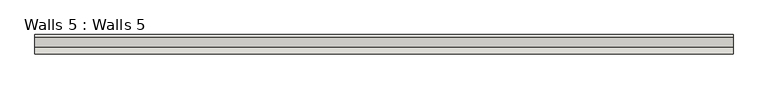
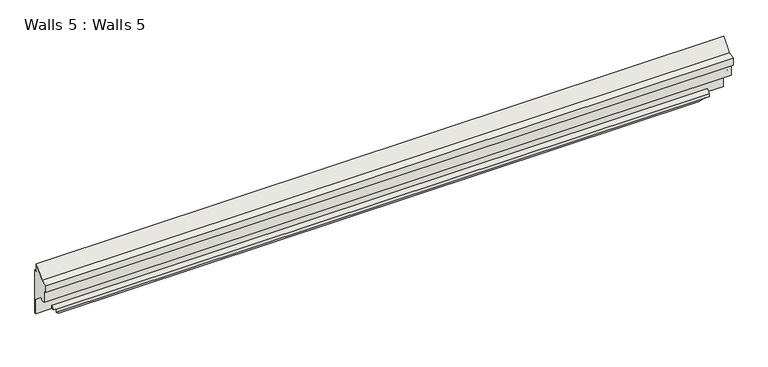
"""IFC4 building model written with IfcOpenShell, lengths in millimetres: wall geometry, Walls 5 : Walls 5."""

from ifc_helpers import new_model, si_unit, origin, place, context, project, spatial, faceted_brep, source, transform, mapped, element, save


def walls_5_walls_5_29911bf8(model_context):
    return source(origin(), model_context, "Body", "Brep", [
        faceted_brep([(-5602.0457962, -9427.2604986, -5924.0279126), (-5602.0457962, -9488.8131596, -5940.5208984), (-5602.0457962, -9488.8131596, -6008.669421), (-5602.0457962, -9460.2381596, -6008.669421), (-5602.0457962, -9460.2381596, -6122.969421), (-5602.0457962, -9431.6631596, -6122.969421), (-5602.0457962, -9410.8201312, -6102.1263927), (-5602.0457962, -9329.2232563, -6169.9577984), (-5602.0457962, -9329.2232563, -6312.8327984), (-5602.0457962, -9312.5557753, -6312.8327984), (-5602.0457962, -9312.5557753, -5892.8), (-5602.0457962, -9337.9557753, -5892.8), (-5602.0457962, -9337.9557753, -5816.6), (-11973.5469605, -9427.2604986, -5924.0279126), (-11973.5469605, -9337.9557753, -5816.6), (-11973.5469605, -9337.9557753, -5892.8), (-11973.5469605, -9312.5557753, -5892.8), (-11973.5469605, -9312.5557753, -6312.8327984), (-11973.5469605, -9329.2232563, -6312.8327984), (-11973.5469605, -9329.2232563, -6169.9577984), (-11973.5469605, -9410.8201312, -6102.1263927), (-11973.5469605, -9431.6631596, -6122.969421), (-11973.5469605, -9460.2381596, -6122.969421), (-11973.5469605, -9460.2381596, -6008.669421), (-11973.5469605, -9488.8131596, -6008.669421), (-11973.5469605, -9488.8131596, -5940.5208984), (-5748.0957962, -9355.1771123, -6344.3075584), (-11799.9429187, -9355.1771123, -6344.3075584), (-11757.3215818, -9312.5557753, -6395.1016898), (-5818.271175, -9312.5557753, -6395.1016898), (-5779.8457962, -9350.9811541, -6349.3081066), (-5748.0957962, -9350.9811541, -6349.3081066), (-5818.271175, -9312.5557753, -6312.8327984), (-11757.3215818, -9312.5557753, -6312.8327984), (-11827.4969605, -9352.0670463, -6312.8327984), (-11827.4969605, -9329.2232563, -6282.9637146), (-11827.4969605, -9329.2232563, -6312.8327984), (-5748.0957962, -9355.1771123, -6316.8993225), (-5748.0957962, -9329.2232563, -6282.9637146), (-11796.8328528, -9352.0670463, -6312.8327984), (-11799.9429187, -9355.1771123, -6316.8993225), (-5748.0957962, -9329.2232563, -6312.8327984), (-5748.0957962, -9350.9811541, -6312.8327984), (-5779.8457962, -9350.9811541, -6312.8327984)], [[[0, 1, 2, 3, 4, 5, 6, 7, 8, 9, 10, 11, 12]], [[13, 14, 15, 16, 17, 18, 19, 20, 21, 22, 23, 24, 25]], [[1, 0, 13, 25]], [[2, 1, 25, 24]], [[3, 2, 24, 23]], [[4, 3, 23, 22]], [[5, 4, 22, 21]], [[6, 5, 21, 20]], [[7, 6, 20, 19]], [[26, 27, 28, 29, 30, 31]], [[16, 10, 9, 32, 29, 28, 33, 17]], [[11, 10, 16, 15]], [[12, 11, 15, 14]], [[0, 12, 14, 13]], [[34, 35, 36]], [[37, 38, 35, 34, 39, 40]], [[26, 37, 40, 27]], [[7, 19, 18, 36, 35, 38, 41, 8]], [[38, 37, 26, 31, 42, 41]], [[33, 39, 34, 36, 18, 17]], [[39, 33, 28, 27, 40]], [[43, 32, 9, 8, 41, 42]], [[43, 42, 31, 30]], [[32, 43, 30, 29]]]),
    ])


if __name__ == "__main__":
    model = new_model("IFC4")
    model_context = context("Model", 3, world=origin())
    ifc_project = project(units=[si_unit("LENGTHUNIT", "METRE", prefix="MILLI")], contexts=[model_context])
    site = spatial("IfcSite", under=ifc_project)
    building = spatial("IfcBuilding", under=site)
    placement = place(None, origin())
    walls_5_walls_5_shape = walls_5_walls_5_29911bf8(model_context)
    element("IfcWall", 1, ObjectType="Walls 5 : Walls 5", at=placement, inside=building, context=model_context, shape_type="MappedRepresentation", body=[
        mapped(walls_5_walls_5_shape, transform((0.0, 0.0, 0.0), x_axis=(1.0, 0.0, 0.0), y_axis=(0.0, 1.0, 0.0), z_axis=(0.0, 0.0, 1.0))),
    ])
    save(model, "model.ifc")
